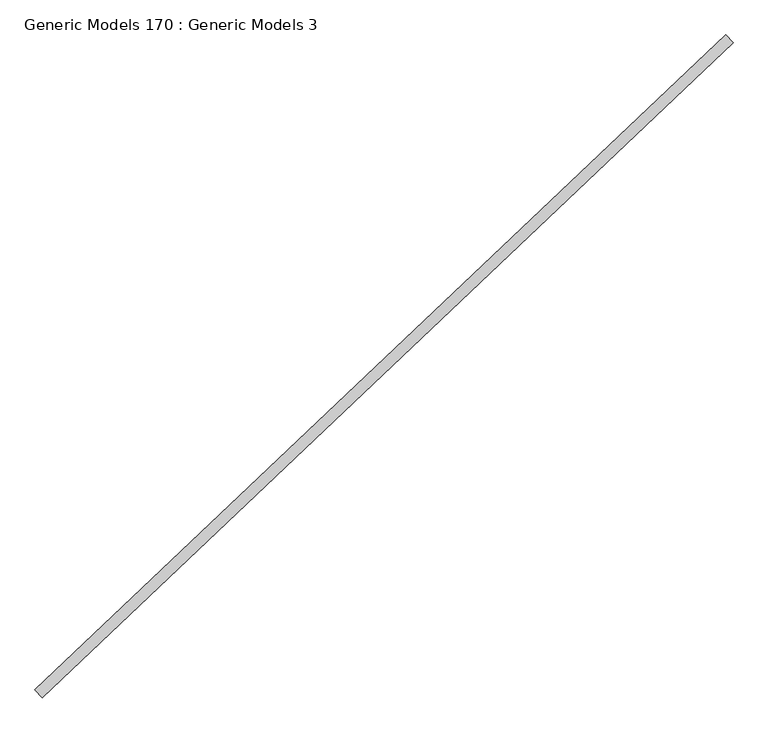
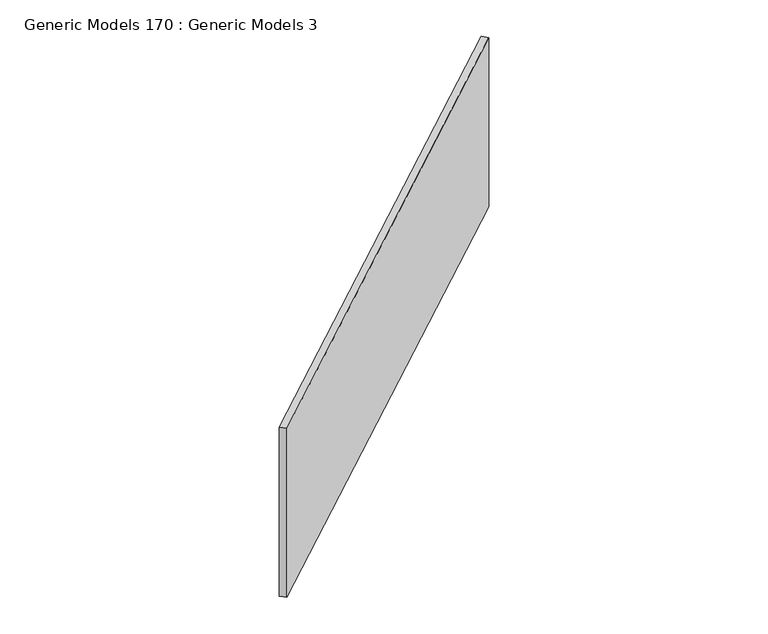
"""IFC4 building model written with IfcOpenShell, lengths in millimetres: proxy geometry, Generic Models 170 : Generic Models 3."""

from ifc_helpers import new_model, si_unit, frame, origin, place, context, project, spatial, polyline, outline, extrude, source, transform, mapped, element, save


def generic_models_170_generic_models_3_875567ee(model_context):
    return source(origin(), model_context, "Body", "SweptSolid", [
        extrude(outline(polyline([(111505.6919305, 51506.9987478), (111540.660343, 51470.1497298), (108254.1885459, 48351.4044448), (108219.2201334, 48388.2534628), (111505.6919305, 51506.9987478)])), frame((0.0, 0.0, 17379.7585553), z_axis=(0.0, 0.0, 1.0), x_axis=(1.0, 0.0, 0.0)), (0.0, 0.0, 1.0), 1316.8648432),
    ])


if __name__ == "__main__":
    model = new_model("IFC4")
    model_context = context("Model", 3, world=origin())
    ifc_project = project(units=[si_unit("LENGTHUNIT", "METRE", prefix="MILLI")], contexts=[model_context])
    site = spatial("IfcSite", under=ifc_project)
    building = spatial("IfcBuilding", under=site)
    placement = place(None, origin())
    generic_models_170_generic_models_3_shape = generic_models_170_generic_models_3_875567ee(model_context)
    element("IfcBuildingElementProxy", 1, Name="Generic Models 170 : Generic Models 3", ObjectType="Generic Models 170 : Generic Models 3", at=placement, inside=building, context=model_context, shape_type="MappedRepresentation", body=[
        mapped(generic_models_170_generic_models_3_shape, transform((0.0, 0.0, 0.0), x_axis=(1.0, 0.0, 0.0), y_axis=(0.0, 1.0, 0.0), z_axis=(0.0, 0.0, 1.0))),
    ])
    save(model, "model.ifc")
